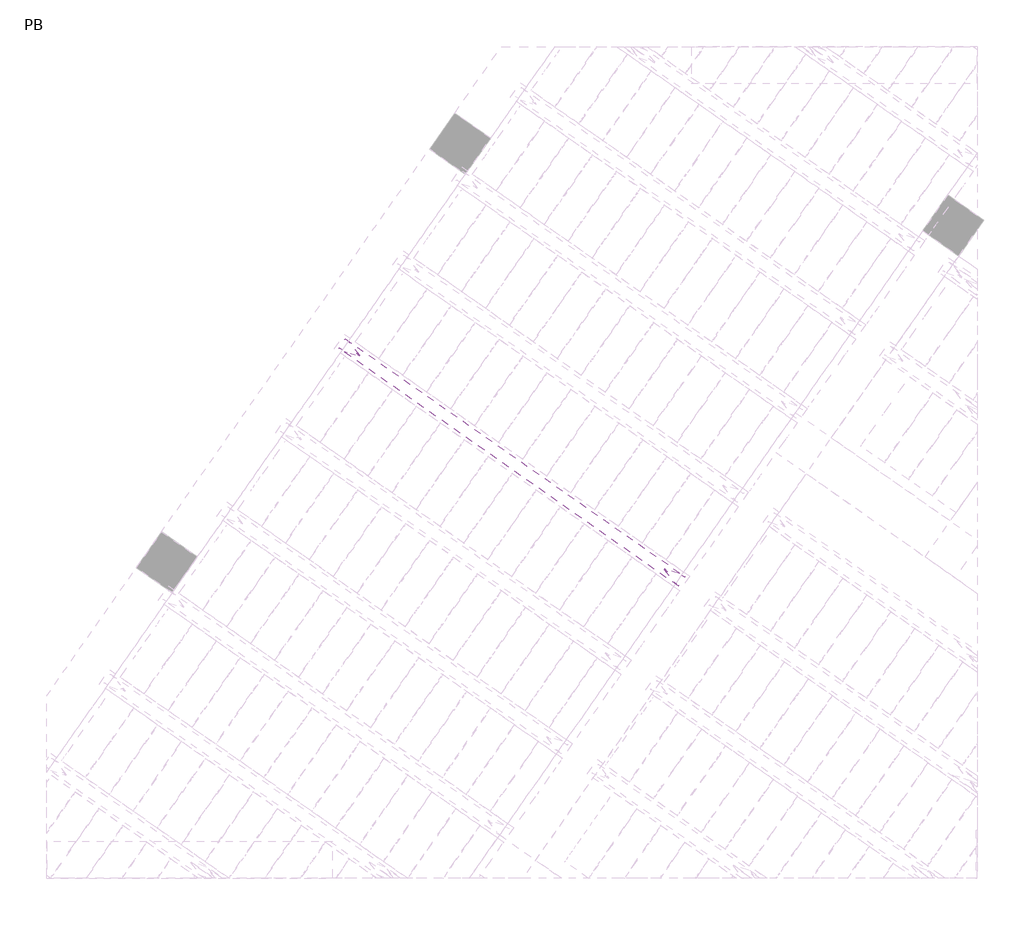
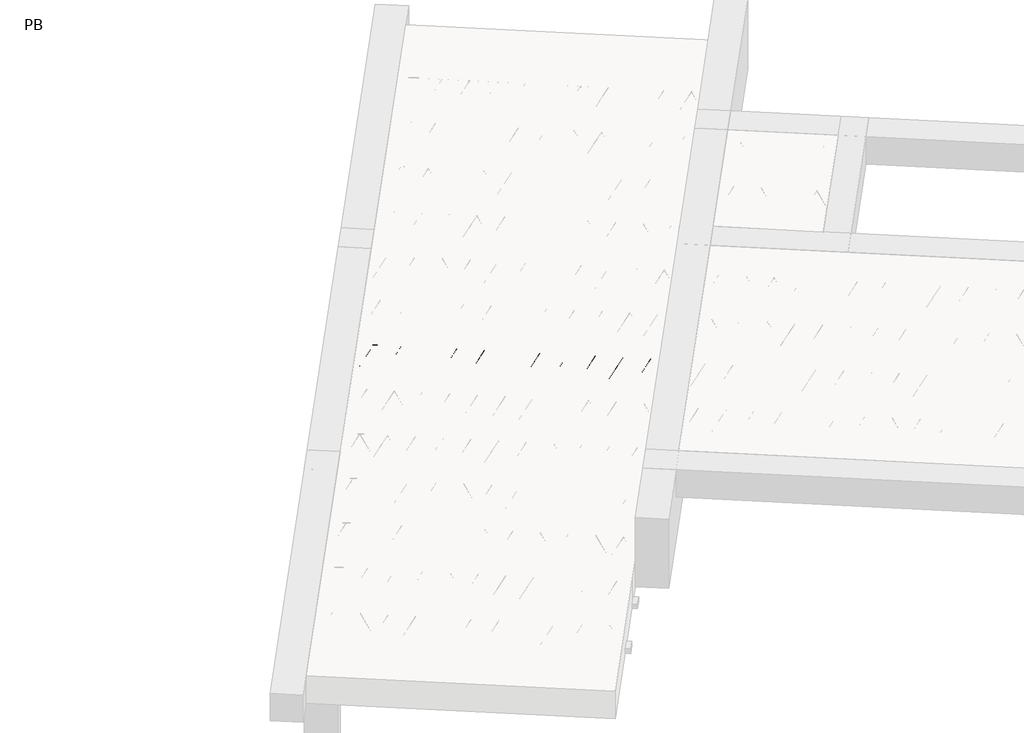
# One storey, part 31 of 56: 1 beam.
"""IFC4 building model written with IfcOpenShell, lengths in millimetres."""

from ifc_helpers import new_model, si_unit, point, frame, origin, origin_2d, place, context, project, spatial, circle_curve, trimmed, segment, composite_curve, outline, extrude, element, save

model = new_model("IFC4")

# Units and contexts
model_context = context("Model", 3, world=origin())
ifc_project = project(units=[si_unit("LENGTHUNIT", "METRE", prefix="MILLI")], contexts=[model_context])

# Site, building, storey
site = spatial("IfcSite", under=ifc_project)
building = spatial("IfcBuilding", under=site)
storey = spatial("IfcBuildingStorey", under=building, Name="PB", Elevation=95940.0)

# Beam
placement = place(None, origin())
element("IfcBeam", 1, at=placement, inside=storey, context=model_context, shape_type="SweptSolid", body=[
    extrude(outline(composite_curve([segment(trimmed(circle_curve(origin_2d(), 2.5), [point((-2.5, 0.0))], [point((2.5, 0.0))], False, "CARTESIAN"), True, "CONTINUOUS"), segment(trimmed(circle_curve(origin_2d(), 2.5), [point((2.5, 0.0))], [point((-2.5, 0.0))], False, "CARTESIAN"), True, "CONTINUOUS")], self_intersect=False)), frame((3953.0261177, 5062.4540311, 98785.0), z_axis=(-0.8191520442696126, 0.5735764363787226, 0.0), x_axis=(0.5735764363787226, 0.8191520442696126, 0.0)), (0.0, 0.0, 1.0), 2836.532515),
    extrude(outline(composite_curve([segment(trimmed(circle_curve(origin_2d(), 2.5), [point((-2.5, 0.0))], [point((2.5000001, 0.0))], False, "CARTESIAN"), True, "CONTINUOUS"), segment(trimmed(circle_curve(origin_2d(), 2.5), [point((2.5000001, 0.0))], [point((-2.5, 0.0))], False, "CARTESIAN"), True, "CONTINUOUS")], self_intersect=False)), frame((3876.7968228, 5159.7782432, 99010.0), z_axis=(-0.8191520442696126, 0.5735764363787226, 0.0), x_axis=(0.5735764363787226, 0.8191520442696126, 0.0)), (0.0, 0.0, 1.0), 2600.0),
    extrude(outline(composite_curve([segment(trimmed(circle_curve(origin_2d(), 2.5), [point((-2.5, 0.0))], [point((2.5, 0.0))], False, "CARTESIAN"), True, "CONTINUOUS"), segment(trimmed(circle_curve(origin_2d(), 2.5), [point((2.5, 0.0))], [point((-2.5, 0.0))], False, "CARTESIAN"), True, "CONTINUOUS")], self_intersect=False)), frame((3917.5844744, 5087.2705369, 98785.0), z_axis=(-0.3145304735701046, 0.38933448886848654, 0.8657304643902053), x_axis=(0.7778747638402499, 0.6284193279813057, 0.0)), (0.0, 0.0, 1.0), 259.8961331),
    extrude(outline(composite_curve([segment(trimmed(circle_curve(origin_2d(), 2.5), [point((2.5, 0.0))], [point((-2.5, 0.0))], False, "CARTESIAN"), True, "CONTINUOUS"), segment(trimmed(circle_curve(origin_2d(), 2.5), [point((-2.5, 0.0))], [point((2.5, 0.0))], False, "CARTESIAN"), True, "CONTINUOUS")], self_intersect=False)), frame((3712.7964633, 5230.664646, 98785.0), z_axis=(0.47343050384693375, -0.16240172737369005, 0.8657304643902051), x_axis=(-0.3244721671091268, -0.9458952440791246, 0.0)), (0.0, 0.0, 1.0), 259.8961331),
    extrude(outline(composite_curve([segment(trimmed(circle_curve(origin_2d(), 2.5), [point((-2.5, 0.0))], [point((2.5, 0.0))], False, "CARTESIAN"), True, "CONTINUOUS"), segment(trimmed(circle_curve(origin_2d(), 2.5), [point((2.5, 0.0))], [point((-2.5, 0.0))], False, "CARTESIAN"), True, "CONTINUOUS")], self_intersect=False)), frame((3712.7964633, 5230.664646, 98785.0), z_axis=(-0.3145304735701046, 0.38933448886848654, 0.8657304643902053), x_axis=(0.7778747638402499, 0.6284193279813057, 0.0)), (0.0, 0.0, 1.0), 259.8961331),
    extrude(outline(composite_curve([segment(trimmed(circle_curve(origin_2d(), 2.5), [point((2.5, -1e-07))], [point((-2.5, 0.0))], False, "CARTESIAN"), True, "CONTINUOUS"), segment(trimmed(circle_curve(origin_2d(), 2.5), [point((-2.5, 0.0))], [point((2.5, -1e-07))], False, "CARTESIAN"), True, "CONTINUOUS")], self_intersect=False)), frame((3508.0084523, 5374.0587551, 98785.0), z_axis=(0.47343050384693375, -0.16240172737369005, 0.8657304643902051), x_axis=(-0.3244721671091268, -0.9458952440791246, 0.0)), (0.0, 0.0, 1.0), 259.8961331),
    extrude(outline(composite_curve([segment(trimmed(circle_curve(origin_2d(), 2.5), [point((-2.5000001, 1e-07))], [point((2.5, 0.0))], False, "CARTESIAN"), True, "CONTINUOUS"), segment(trimmed(circle_curve(origin_2d(), 2.5), [point((2.5, 0.0))], [point((-2.5000001, 1e-07))], False, "CARTESIAN"), True, "CONTINUOUS")], self_intersect=False)), frame((3508.0084523, 5374.0587551, 98785.0), z_axis=(-0.3145304735701046, 0.38933448886848654, 0.8657304643902053), x_axis=(0.7778747638402499, 0.6284193279813057, 0.0)), (0.0, 0.0, 1.0), 259.8961331),
    extrude(outline(composite_curve([segment(trimmed(circle_curve(origin_2d(), 2.5), [point((2.5, 0.0))], [point((-2.5, 0.0))], False, "CARTESIAN"), True, "CONTINUOUS"), segment(trimmed(circle_curve(origin_2d(), 2.5), [point((-2.5, 0.0))], [point((2.5, 0.0))], False, "CARTESIAN"), True, "CONTINUOUS")], self_intersect=False)), frame((3303.2204412, 5517.4528642, 98785.0), z_axis=(0.47343050384693375, -0.16240172737369005, 0.8657304643902051), x_axis=(-0.3244721671091268, -0.9458952440791246, 0.0)), (0.0, 0.0, 1.0), 259.8961331),
    extrude(outline(composite_curve([segment(trimmed(circle_curve(origin_2d(), 2.5), [point((-2.5, 0.0))], [point((2.5, 0.0))], False, "CARTESIAN"), True, "CONTINUOUS"), segment(trimmed(circle_curve(origin_2d(), 2.5), [point((2.5, 0.0))], [point((-2.5, 0.0))], False, "CARTESIAN"), True, "CONTINUOUS")], self_intersect=False)), frame((3303.2204412, 5517.4528642, 98785.0), z_axis=(-0.3145304735701046, 0.38933448886848654, 0.8657304643902053), x_axis=(0.7778747638402499, 0.6284193279813057, 0.0)), (0.0, 0.0, 1.0), 259.8961331),
    extrude(outline(composite_curve([segment(trimmed(circle_curve(origin_2d(), 2.5), [point((2.5, 0.0))], [point((-2.5, 0.0))], False, "CARTESIAN"), True, "CONTINUOUS"), segment(trimmed(circle_curve(origin_2d(), 2.5), [point((-2.5, 0.0))], [point((2.5, 0.0))], False, "CARTESIAN"), True, "CONTINUOUS")], self_intersect=False)), frame((3098.4324301, 5660.8469733, 98785.0), z_axis=(0.47343050384693375, -0.16240172737369005, 0.8657304643902051), x_axis=(-0.3244721671091268, -0.9458952440791246, 0.0)), (0.0, 0.0, 1.0), 259.8961331),
    extrude(outline(composite_curve([segment(trimmed(circle_curve(origin_2d(), 2.5), [point((-2.5, 0.0))], [point((2.5, 0.0))], False, "CARTESIAN"), True, "CONTINUOUS"), segment(trimmed(circle_curve(origin_2d(), 2.5), [point((2.5, 0.0))], [point((-2.5, 0.0))], False, "CARTESIAN"), True, "CONTINUOUS")], self_intersect=False)), frame((3098.4324305, 5660.846973, 98785.0), z_axis=(-0.3145304735701046, 0.38933448886848654, 0.8657304643902053), x_axis=(0.7778747638402499, 0.6284193279813057, 0.0)), (0.0, 0.0, 1.0), 259.8961331),
    extrude(outline(composite_curve([segment(trimmed(circle_curve(origin_2d(), 2.5), [point((2.5, -1e-07))], [point((-2.5, 0.0))], False, "CARTESIAN"), True, "CONTINUOUS"), segment(trimmed(circle_curve(origin_2d(), 2.5), [point((-2.5, 0.0))], [point((2.5, -1e-07))], False, "CARTESIAN"), True, "CONTINUOUS")], self_intersect=False)), frame((2893.6444195, 5804.2410821, 98785.0), z_axis=(0.47343050384693375, -0.16240172737369005, 0.8657304643902051), x_axis=(-0.3244721671091268, -0.9458952440791246, 0.0)), (0.0, 0.0, 1.0), 259.8961331),
    extrude(outline(composite_curve([segment(trimmed(circle_curve(origin_2d(), 2.5), [point((-2.5, 0.0))], [point((2.5, 0.0))], False, "CARTESIAN"), True, "CONTINUOUS"), segment(trimmed(circle_curve(origin_2d(), 2.5), [point((2.5, 0.0))], [point((-2.5, 0.0))], False, "CARTESIAN"), True, "CONTINUOUS")], self_intersect=False)), frame((2893.6444195, 5804.2410821, 98785.0), z_axis=(-0.3145304735701046, 0.38933448886848654, 0.8657304643902053), x_axis=(0.7778747638402499, 0.6284193279813057, 0.0)), (0.0, 0.0, 1.0), 259.8961331),
    extrude(outline(composite_curve([segment(trimmed(circle_curve(origin_2d(), 2.5), [point((2.5, 0.0))], [point((-2.5, 0.0))], False, "CARTESIAN"), True, "CONTINUOUS"), segment(trimmed(circle_curve(origin_2d(), 2.5), [point((-2.5, 0.0))], [point((2.5, 0.0))], False, "CARTESIAN"), True, "CONTINUOUS")], self_intersect=False)), frame((2688.8564084, 5947.6351912, 98785.0), z_axis=(0.47343050384693375, -0.16240172737369005, 0.8657304643902051), x_axis=(-0.3244721671091268, -0.9458952440791246, 0.0)), (0.0, 0.0, 1.0), 259.8961331),
    extrude(outline(composite_curve([segment(trimmed(circle_curve(origin_2d(), 2.5), [point((-2.5, 0.0))], [point((2.5, 0.0))], False, "CARTESIAN"), True, "CONTINUOUS"), segment(trimmed(circle_curve(origin_2d(), 2.5), [point((2.5, 0.0))], [point((-2.5, 0.0))], False, "CARTESIAN"), True, "CONTINUOUS")], self_intersect=False)), frame((2688.8564084, 5947.6351912, 98785.0), z_axis=(-0.3145304735701046, 0.38933448886848654, 0.8657304643902053), x_axis=(0.7778747638402499, 0.6284193279813057, 0.0)), (0.0, 0.0, 1.0), 259.8961331),
    extrude(outline(composite_curve([segment(trimmed(circle_curve(origin_2d(), 2.5), [point((2.5, 0.0))], [point((-2.5, 0.0))], False, "CARTESIAN"), True, "CONTINUOUS"), segment(trimmed(circle_curve(origin_2d(), 2.5), [point((-2.5, 0.0))], [point((2.5, 0.0))], False, "CARTESIAN"), True, "CONTINUOUS")], self_intersect=False)), frame((2484.0683973, 6091.0293003, 98785.0), z_axis=(0.47343050384693375, -0.16240172737369005, 0.8657304643902051), x_axis=(-0.3244721671091268, -0.9458952440791246, 0.0)), (0.0, 0.0, 1.0), 259.8961331),
    extrude(outline(composite_curve([segment(trimmed(circle_curve(origin_2d(), 2.5), [point((-2.5, 0.0))], [point((2.5, 0.0))], False, "CARTESIAN"), True, "CONTINUOUS"), segment(trimmed(circle_curve(origin_2d(), 2.5), [point((2.5, 0.0))], [point((-2.5, 0.0))], False, "CARTESIAN"), True, "CONTINUOUS")], self_intersect=False)), frame((2484.0683973, 6091.0293003, 98785.0), z_axis=(-0.3145304735701046, 0.38933448886848654, 0.8657304643902053), x_axis=(0.7778747638402499, 0.6284193279813057, 0.0)), (0.0, 0.0, 1.0), 259.8961331),
    extrude(outline(composite_curve([segment(trimmed(circle_curve(origin_2d(), 2.5), [point((2.5, -1e-07))], [point((-2.5, 0.0))], False, "CARTESIAN"), True, "CONTINUOUS"), segment(trimmed(circle_curve(origin_2d(), 2.5), [point((-2.5, 0.0))], [point((2.5, -1e-07))], False, "CARTESIAN"), True, "CONTINUOUS")], self_intersect=False)), frame((2279.2803863, 6234.4234094, 98785.0), z_axis=(0.47343050384693375, -0.16240172737369005, 0.8657304643902051), x_axis=(-0.3244721671091268, -0.9458952440791246, 0.0)), (0.0, 0.0, 1.0), 259.8961331),
    extrude(outline(composite_curve([segment(trimmed(circle_curve(origin_2d(), 2.5), [point((-2.5, 0.0))], [point((2.5, 0.0))], False, "CARTESIAN"), True, "CONTINUOUS"), segment(trimmed(circle_curve(origin_2d(), 2.5), [point((2.5, 0.0))], [point((-2.5, 0.0))], False, "CARTESIAN"), True, "CONTINUOUS")], self_intersect=False)), frame((2279.2803863, 6234.4234094, 98785.0), z_axis=(-0.3145304735701046, 0.38933448886848654, 0.8657304643902053), x_axis=(0.7778747638402499, 0.6284193279813057, 0.0)), (0.0, 0.0, 1.0), 259.8961331),
    extrude(outline(composite_curve([segment(trimmed(circle_curve(origin_2d(), 2.5), [point((2.5, 0.0))], [point((-2.5, 0.0))], False, "CARTESIAN"), True, "CONTINUOUS"), segment(trimmed(circle_curve(origin_2d(), 2.5), [point((-2.5, 0.0))], [point((2.5, 0.0))], False, "CARTESIAN"), True, "CONTINUOUS")], self_intersect=False)), frame((2074.4923752, 6377.8175185, 98785.0), z_axis=(0.47343050384693375, -0.16240172737369005, 0.8657304643902051), x_axis=(-0.3244721671091268, -0.9458952440791246, 0.0)), (0.0, 0.0, 1.0), 259.8961331),
    extrude(outline(composite_curve([segment(trimmed(circle_curve(origin_2d(), 2.5), [point((-2.5, 0.0))], [point((2.5, 0.0))], False, "CARTESIAN"), True, "CONTINUOUS"), segment(trimmed(circle_curve(origin_2d(), 2.5), [point((2.5, 0.0))], [point((-2.5, 0.0))], False, "CARTESIAN"), True, "CONTINUOUS")], self_intersect=False)), frame((2074.4923752, 6377.8175185, 98785.0), z_axis=(-0.3145304735701046, 0.38933448886848654, 0.8657304643902053), x_axis=(0.7778747638402499, 0.6284193279813057, 0.0)), (0.0, 0.0, 1.0), 259.8961331),
    extrude(outline(composite_curve([segment(trimmed(circle_curve(origin_2d(), 2.5), [point((2.5, 0.0))], [point((-2.5, 0.0))], False, "CARTESIAN"), True, "CONTINUOUS"), segment(trimmed(circle_curve(origin_2d(), 2.5), [point((-2.5, 0.0))], [point((2.5, 0.0))], False, "CARTESIAN"), True, "CONTINUOUS")], self_intersect=False)), frame((1869.7043641, 6521.2116276, 98785.0), z_axis=(0.47343050384693375, -0.16240172737369005, 0.8657304643902051), x_axis=(-0.3244721671091268, -0.9458952440791246, 0.0)), (0.0, 0.0, 1.0), 259.8961331),
    extrude(outline(composite_curve([segment(trimmed(circle_curve(origin_2d(), 2.5), [point((-2.5, 0.0))], [point((2.5, 0.0))], False, "CARTESIAN"), True, "CONTINUOUS"), segment(trimmed(circle_curve(origin_2d(), 2.5), [point((2.5, 0.0))], [point((-2.5, 0.0))], False, "CARTESIAN"), True, "CONTINUOUS")], self_intersect=False)), frame((1869.7043641, 6521.2116276, 98785.0), z_axis=(-0.3145304735701046, 0.38933448886848654, 0.8657304643902053), x_axis=(0.7778747638402499, 0.6284193279813057, 0.0)), (0.0, 0.0, 1.0), 259.8961331),
    extrude(outline(composite_curve([segment(trimmed(circle_curve(origin_2d(), 2.5), [point((2.5, -1e-07))], [point((-2.5, 0.0))], False, "CARTESIAN"), True, "CONTINUOUS"), segment(trimmed(circle_curve(origin_2d(), 2.5), [point((-2.5, 0.0))], [point((2.5, -1e-07))], False, "CARTESIAN"), True, "CONTINUOUS")], self_intersect=False)), frame((1664.9163531, 6664.6057367, 98785.0), z_axis=(0.47343050384693375, -0.16240172737369005, 0.8657304643902051), x_axis=(-0.3244721671091268, -0.9458952440791246, 0.0)), (0.0, 0.0, 1.0), 259.8961331),
    extrude(outline(composite_curve([segment(trimmed(circle_curve(origin_2d(), 2.5), [point((-2.5, 0.0))], [point((2.5, 0.0))], False, "CARTESIAN"), True, "CONTINUOUS"), segment(trimmed(circle_curve(origin_2d(), 2.5), [point((2.5, 0.0))], [point((-2.5, 0.0))], False, "CARTESIAN"), True, "CONTINUOUS")], self_intersect=False)), frame((3994.3236211, 5121.4329783, 98785.0), z_axis=(-0.8191520442696126, 0.5735764363787226, 0.0), x_axis=(0.5735764363787226, 0.8191520442696126, 0.0)), (0.0, 0.0, 1.0), 2836.532515),
    extrude(outline(composite_curve([segment(trimmed(circle_curve(origin_2d(), 2.5), [point((-2.5, 0.0))], [point((2.5, 0.0))], False, "CARTESIAN"), True, "CONTINUOUS"), segment(trimmed(circle_curve(origin_2d(), 2.5), [point((2.5, 0.0))], [point((-2.5, 0.0))], False, "CARTESIAN"), True, "CONTINUOUS")], self_intersect=False)), frame((3958.8819778, 5146.2494841, 98785.0), z_axis=(-0.47343050384693375, 0.16240172737369005, 0.8657304643902051), x_axis=(0.3244721671091268, 0.9458952440791246, 0.0)), (0.0, 0.0, 1.0), 259.8961331),
    extrude(outline(composite_curve([segment(trimmed(circle_curve(origin_2d(), 2.5), [point((2.5, 0.0))], [point((-2.5000001, 1e-07))], False, "CARTESIAN"), True, "CONTINUOUS"), segment(trimmed(circle_curve(origin_2d(), 2.5), [point((-2.5000001, 1e-07))], [point((2.5, 0.0))], False, "CARTESIAN"), True, "CONTINUOUS")], self_intersect=False)), frame((3754.0939667, 5289.6435932, 98785.0), z_axis=(0.3145304735701046, -0.38933448886848654, 0.8657304643902053), x_axis=(-0.7778747638402499, -0.6284193279813057, 0.0)), (0.0, 0.0, 1.0), 259.8961331),
    extrude(outline(composite_curve([segment(trimmed(circle_curve(origin_2d(), 2.5), [point((-2.5, 0.0))], [point((2.5, -1e-07))], False, "CARTESIAN"), True, "CONTINUOUS"), segment(trimmed(circle_curve(origin_2d(), 2.5), [point((2.5, -1e-07))], [point((-2.5, 0.0))], False, "CARTESIAN"), True, "CONTINUOUS")], self_intersect=False)), frame((3754.0939667, 5289.6435932, 98785.0), z_axis=(-0.47343050384693375, 0.16240172737369005, 0.8657304643902051), x_axis=(0.3244721671091268, 0.9458952440791246, 0.0)), (0.0, 0.0, 1.0), 259.8961331),
    extrude(outline(composite_curve([segment(trimmed(circle_curve(origin_2d(), 2.5), [point((2.5, 0.0))], [point((-2.5, 0.0))], False, "CARTESIAN"), True, "CONTINUOUS"), segment(trimmed(circle_curve(origin_2d(), 2.5), [point((-2.5, 0.0))], [point((2.5, 0.0))], False, "CARTESIAN"), True, "CONTINUOUS")], self_intersect=False)), frame((3549.3059557, 5433.0377023, 98785.0), z_axis=(0.3145304735701046, -0.38933448886848654, 0.8657304643902053), x_axis=(-0.7778747638402499, -0.6284193279813057, 0.0)), (0.0, 0.0, 1.0), 259.8961331),
    extrude(outline(composite_curve([segment(trimmed(circle_curve(origin_2d(), 2.5), [point((-2.5, 0.0))], [point((2.5, 0.0))], False, "CARTESIAN"), True, "CONTINUOUS"), segment(trimmed(circle_curve(origin_2d(), 2.5), [point((2.5, 0.0))], [point((-2.5, 0.0))], False, "CARTESIAN"), True, "CONTINUOUS")], self_intersect=False)), frame((3549.3059557, 5433.0377023, 98785.0), z_axis=(-0.47343050384693375, 0.16240172737369005, 0.8657304643902051), x_axis=(0.3244721671091268, 0.9458952440791246, 0.0)), (0.0, 0.0, 1.0), 259.8961331),
    extrude(outline(composite_curve([segment(trimmed(circle_curve(origin_2d(), 2.5), [point((2.5, 0.0))], [point((-2.5, 0.0))], False, "CARTESIAN"), True, "CONTINUOUS"), segment(trimmed(circle_curve(origin_2d(), 2.5), [point((-2.5, 0.0))], [point((2.5, 0.0))], False, "CARTESIAN"), True, "CONTINUOUS")], self_intersect=False)), frame((3344.5179446, 5576.4318114, 98785.0), z_axis=(0.3145304735701046, -0.38933448886848654, 0.8657304643902053), x_axis=(-0.7778747638402499, -0.6284193279813057, 0.0)), (0.0, 0.0, 1.0), 259.8961331),
    extrude(outline(composite_curve([segment(trimmed(circle_curve(origin_2d(), 2.5), [point((-2.5, 0.0))], [point((2.5, 0.0))], False, "CARTESIAN"), True, "CONTINUOUS"), segment(trimmed(circle_curve(origin_2d(), 2.5), [point((2.5, 0.0))], [point((-2.5, 0.0))], False, "CARTESIAN"), True, "CONTINUOUS")], self_intersect=False)), frame((3344.5179446, 5576.4318114, 98785.0), z_axis=(-0.47343050384693375, 0.16240172737369005, 0.8657304643902051), x_axis=(0.3244721671091268, 0.9458952440791246, 0.0)), (0.0, 0.0, 1.0), 259.8961331),
    extrude(outline(composite_curve([segment(trimmed(circle_curve(origin_2d(), 2.5), [point((2.5, 0.0))], [point((-2.5000001, 1e-07))], False, "CARTESIAN"), True, "CONTINUOUS"), segment(trimmed(circle_curve(origin_2d(), 2.5), [point((-2.5000001, 1e-07))], [point((2.5, 0.0))], False, "CARTESIAN"), True, "CONTINUOUS")], self_intersect=False)), frame((3139.7299335, 5719.8259205, 98785.0), z_axis=(0.3145304735701046, -0.38933448886848654, 0.8657304643902053), x_axis=(-0.7778747638402499, -0.6284193279813057, 0.0)), (0.0, 0.0, 1.0), 259.8961331),
    extrude(outline(composite_curve([segment(trimmed(circle_curve(origin_2d(), 2.5), [point((-2.5, 0.0))], [point((2.5, -1e-07))], False, "CARTESIAN"), True, "CONTINUOUS"), segment(trimmed(circle_curve(origin_2d(), 2.5), [point((2.5, -1e-07))], [point((-2.5, 0.0))], False, "CARTESIAN"), True, "CONTINUOUS")], self_intersect=False)), frame((3139.7299339, 5719.8259202, 98785.0), z_axis=(-0.47343050384693375, 0.16240172737369005, 0.8657304643902051), x_axis=(0.3244721671091268, 0.9458952440791246, 0.0)), (0.0, 0.0, 1.0), 259.8961331),
    extrude(outline(composite_curve([segment(trimmed(circle_curve(origin_2d(), 2.5), [point((2.5, 0.0))], [point((-2.5, 0.0))], False, "CARTESIAN"), True, "CONTINUOUS"), segment(trimmed(circle_curve(origin_2d(), 2.5), [point((-2.5, 0.0))], [point((2.5, 0.0))], False, "CARTESIAN"), True, "CONTINUOUS")], self_intersect=False)), frame((2934.9419229, 5863.2200293, 98785.0), z_axis=(0.3145304735701046, -0.38933448886848654, 0.8657304643902053), x_axis=(-0.7778747638402499, -0.6284193279813057, 0.0)), (0.0, 0.0, 1.0), 259.8961331),
    extrude(outline(composite_curve([segment(trimmed(circle_curve(origin_2d(), 2.5), [point((-2.5, 0.0))], [point((2.5, 0.0))], False, "CARTESIAN"), True, "CONTINUOUS"), segment(trimmed(circle_curve(origin_2d(), 2.5), [point((2.5, 0.0))], [point((-2.5, 0.0))], False, "CARTESIAN"), True, "CONTINUOUS")], self_intersect=False)), frame((2934.9419229, 5863.2200293, 98785.0), z_axis=(-0.47343050384693375, 0.16240172737369005, 0.8657304643902051), x_axis=(0.3244721671091268, 0.9458952440791246, 0.0)), (0.0, 0.0, 1.0), 259.8961331),
    extrude(outline(composite_curve([segment(trimmed(circle_curve(origin_2d(), 2.5), [point((2.5, 0.0))], [point((-2.5, 0.0))], False, "CARTESIAN"), True, "CONTINUOUS"), segment(trimmed(circle_curve(origin_2d(), 2.5), [point((-2.5, 0.0))], [point((2.5, 0.0))], False, "CARTESIAN"), True, "CONTINUOUS")], self_intersect=False)), frame((2730.1539118, 6006.6141384, 98785.0), z_axis=(0.3145304735701046, -0.38933448886848654, 0.8657304643902053), x_axis=(-0.7778747638402499, -0.6284193279813057, 0.0)), (0.0, 0.0, 1.0), 259.8961331),
    extrude(outline(composite_curve([segment(trimmed(circle_curve(origin_2d(), 2.5), [point((-2.5, 0.0))], [point((2.5, 0.0))], False, "CARTESIAN"), True, "CONTINUOUS"), segment(trimmed(circle_curve(origin_2d(), 2.5), [point((2.5, 0.0))], [point((-2.5, 0.0))], False, "CARTESIAN"), True, "CONTINUOUS")], self_intersect=False)), frame((2730.1539118, 6006.6141384, 98785.0), z_axis=(-0.47343050384693375, 0.16240172737369005, 0.8657304643902051), x_axis=(0.3244721671091268, 0.9458952440791246, 0.0)), (0.0, 0.0, 1.0), 259.8961331),
    extrude(outline(composite_curve([segment(trimmed(circle_curve(origin_2d(), 2.5), [point((2.5, 0.0))], [point((-2.5000001, 1e-07))], False, "CARTESIAN"), True, "CONTINUOUS"), segment(trimmed(circle_curve(origin_2d(), 2.5), [point((-2.5000001, 1e-07))], [point((2.5, 0.0))], False, "CARTESIAN"), True, "CONTINUOUS")], self_intersect=False)), frame((2525.3659007, 6150.0082475, 98785.0), z_axis=(0.3145304735701046, -0.38933448886848654, 0.8657304643902053), x_axis=(-0.7778747638402499, -0.6284193279813057, 0.0)), (0.0, 0.0, 1.0), 259.8961331),
    extrude(outline(composite_curve([segment(trimmed(circle_curve(origin_2d(), 2.5), [point((-2.5, 0.0))], [point((2.5, -1e-07))], False, "CARTESIAN"), True, "CONTINUOUS"), segment(trimmed(circle_curve(origin_2d(), 2.5), [point((2.5, -1e-07))], [point((-2.5, 0.0))], False, "CARTESIAN"), True, "CONTINUOUS")], self_intersect=False)), frame((2525.3659007, 6150.0082475, 98785.0), z_axis=(-0.47343050384693375, 0.16240172737369005, 0.8657304643902051), x_axis=(0.3244721671091268, 0.9458952440791246, 0.0)), (0.0, 0.0, 1.0), 259.8961331),
    extrude(outline(composite_curve([segment(trimmed(circle_curve(origin_2d(), 2.5), [point((2.5, 0.0))], [point((-2.5, 0.0))], False, "CARTESIAN"), True, "CONTINUOUS"), segment(trimmed(circle_curve(origin_2d(), 2.5), [point((-2.5, 0.0))], [point((2.5, 0.0))], False, "CARTESIAN"), True, "CONTINUOUS")], self_intersect=False)), frame((2320.5778897, 6293.4023566, 98785.0), z_axis=(0.3145304735701046, -0.38933448886848654, 0.8657304643902053), x_axis=(-0.7778747638402499, -0.6284193279813057, 0.0)), (0.0, 0.0, 1.0), 259.8961331),
    extrude(outline(composite_curve([segment(trimmed(circle_curve(origin_2d(), 2.5), [point((-2.5, 0.0))], [point((2.5, 0.0))], False, "CARTESIAN"), True, "CONTINUOUS"), segment(trimmed(circle_curve(origin_2d(), 2.5), [point((2.5, 0.0))], [point((-2.5, 0.0))], False, "CARTESIAN"), True, "CONTINUOUS")], self_intersect=False)), frame((2320.5778897, 6293.4023566, 98785.0), z_axis=(-0.47343050384693375, 0.16240172737369005, 0.8657304643902051), x_axis=(0.3244721671091268, 0.9458952440791246, 0.0)), (0.0, 0.0, 1.0), 259.8961331),
    extrude(outline(composite_curve([segment(trimmed(circle_curve(origin_2d(), 2.5), [point((2.5, 1e-07))], [point((-2.5, 0.0))], False, "CARTESIAN"), True, "CONTINUOUS"), segment(trimmed(circle_curve(origin_2d(), 2.5), [point((-2.5, 0.0))], [point((2.5, 1e-07))], False, "CARTESIAN"), True, "CONTINUOUS")], self_intersect=False)), frame((2115.7898786, 6436.7964657, 98785.0), z_axis=(0.3145304735701046, -0.38933448886848654, 0.8657304643902053), x_axis=(-0.7778747638402499, -0.6284193279813057, 0.0)), (0.0, 0.0, 1.0), 259.8961331),
    extrude(outline(composite_curve([segment(trimmed(circle_curve(origin_2d(), 2.5), [point((-2.5, 0.0))], [point((2.5, 0.0))], False, "CARTESIAN"), True, "CONTINUOUS"), segment(trimmed(circle_curve(origin_2d(), 2.5), [point((2.5, 0.0))], [point((-2.5, 0.0))], False, "CARTESIAN"), True, "CONTINUOUS")], self_intersect=False)), frame((2115.7898786, 6436.7964657, 98785.0), z_axis=(-0.47343050384693375, 0.16240172737369005, 0.8657304643902051), x_axis=(0.3244721671091268, 0.9458952440791246, 0.0)), (0.0, 0.0, 1.0), 259.8961331),
    extrude(outline(composite_curve([segment(trimmed(circle_curve(origin_2d(), 2.5), [point((2.5, 1e-07))], [point((-2.5000001, 1e-07))], False, "CARTESIAN"), True, "CONTINUOUS"), segment(trimmed(circle_curve(origin_2d(), 2.5), [point((-2.5000001, 1e-07))], [point((2.5, 1e-07))], False, "CARTESIAN"), True, "CONTINUOUS")], self_intersect=False)), frame((1911.0018675, 6580.1905748, 98785.0), z_axis=(0.3145304735701046, -0.38933448886848654, 0.8657304643902053), x_axis=(-0.7778747638402499, -0.6284193279813057, 0.0)), (0.0, 0.0, 1.0), 259.8961331),
    extrude(outline(composite_curve([segment(trimmed(circle_curve(origin_2d(), 2.5), [point((-2.5, 0.0))], [point((2.5, -1e-07))], False, "CARTESIAN"), True, "CONTINUOUS"), segment(trimmed(circle_curve(origin_2d(), 2.5), [point((2.5, -1e-07))], [point((-2.5, 0.0))], False, "CARTESIAN"), True, "CONTINUOUS")], self_intersect=False)), frame((1911.0018675, 6580.1905748, 98785.0), z_axis=(-0.47343050384693375, 0.16240172737369005, 0.8657304643902051), x_axis=(0.3244721671091268, 0.9458952440791246, 0.0)), (0.0, 0.0, 1.0), 259.8961331),
    extrude(outline(composite_curve([segment(trimmed(circle_curve(origin_2d(), 2.5), [point((2.5, 1e-07))], [point((-2.5, 0.0))], False, "CARTESIAN"), True, "CONTINUOUS"), segment(trimmed(circle_curve(origin_2d(), 2.5), [point((-2.5, 0.0))], [point((2.5, 1e-07))], False, "CARTESIAN"), True, "CONTINUOUS")], self_intersect=False)), frame((1706.2138565, 6723.5846839, 98785.0), z_axis=(0.3145304735701046, -0.38933448886848654, 0.8657304643902053), x_axis=(-0.7778747638402499, -0.6284193279813057, 0.0)), (0.0, 0.0, 1.0), 259.8961331),
])

save(model, "model.ifc")
